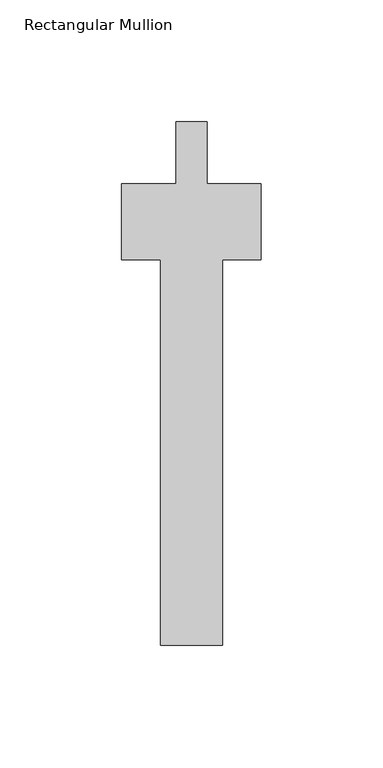
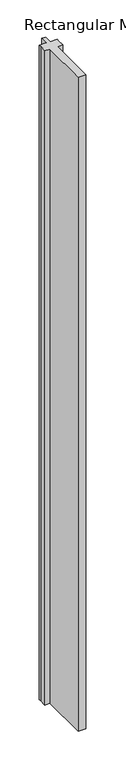
"""IFC4 building model written with IfcOpenShell, lengths in millimetres: member geometry, Rectangular Mullion."""

from ifc_helpers import new_model, si_unit, frame, origin, place, context, project, spatial, polyline, outline, extrude, source, transform, mapped, element, save


def rectangular_mullion_8cbc1c08(model_context):
    return source(origin(), model_context, "Body", "SweptSolid", [
        extrude(outline(polyline([(-6.35, 0.0), (6.35, 0.0), (6.35, -25.4), (28.575, -25.4), (28.575, -31.7499999), (28.575, -56.388), (12.7, -56.388), (12.7, -214.376), (-12.7, -214.376), (-12.7, -56.388), (-28.575, -56.388), (-28.575, -31.7499999), (-28.575, -25.4), (-6.35, -25.4), (-6.35, 0.0)])), frame((0.0, 0.0, -2235.2), z_axis=(0.0, 0.0, 1.0), x_axis=(1.0, 0.0, 0.0)), (0.0, 0.0, 1.0), 2235.2),
    ])


if __name__ == "__main__":
    model = new_model("IFC4")
    model_context = context("Model", 3, world=origin())
    ifc_project = project(units=[si_unit("LENGTHUNIT", "METRE", prefix="MILLI")], contexts=[model_context])
    site = spatial("IfcSite", under=ifc_project)
    building = spatial("IfcBuilding", under=site)
    placement = place(None, origin())
    rectangular_mullion_shape = rectangular_mullion_8cbc1c08(model_context)
    element("IfcMember", 1, ObjectType="Rectangular Mullion", at=placement, inside=building, context=model_context, shape_type="MappedRepresentation", body=[
        mapped(rectangular_mullion_shape, transform((0.0, 0.0, 0.0), x_axis=(1.0, 0.0, 0.0), y_axis=(0.0, 1.0, 0.0), z_axis=(0.0, 0.0, 1.0))),
    ])
    save(model, "model.ifc")
